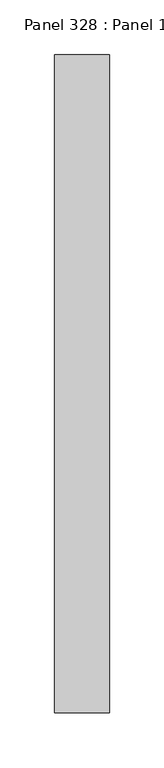
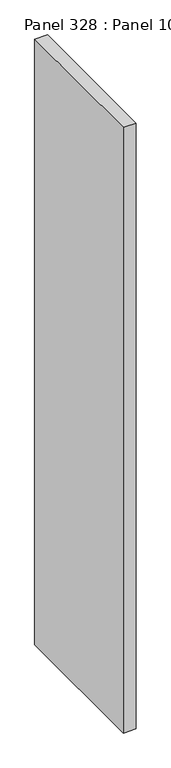
"""IFC4 building model written with IfcOpenShell, lengths in millimetres: proxy geometry, Panel 328 : Panel 1019."""

from ifc_helpers import new_model, si_unit, frame, origin, place, context, project, spatial, polyline, outline, extrude, source, transform, mapped, element, save


def panel_328_panel_1019_da7dd1df(model_context):
    return source(origin(), model_context, "Body", "SweptSolid", [
        extrude(outline(polyline([(26317.4759526, 332605.7856462), (26367.4759948, 332605.7856466), (26367.4759732, 332005.7856529), (26317.4759311, 332005.7856525), (26317.4759526, 332605.7856462)])), frame((0.0, 0.0, 34575.0), z_axis=(0.0, 0.0, 1.0), x_axis=(1.0, 0.0, 0.0)), (0.0, 0.0, 1.0), 2500.0),
    ])


if __name__ == "__main__":
    model = new_model("IFC4")
    model_context = context("Model", 3, world=origin())
    ifc_project = project(units=[si_unit("LENGTHUNIT", "METRE", prefix="MILLI")], contexts=[model_context])
    site = spatial("IfcSite", under=ifc_project)
    building = spatial("IfcBuilding", under=site)
    placement = place(None, origin())
    panel_328_panel_1019_shape = panel_328_panel_1019_da7dd1df(model_context)
    element("IfcBuildingElementProxy", 1, Name="Panel 328 : Panel 1019", ObjectType="Panel 328 : Panel 1019", at=placement, inside=building, context=model_context, shape_type="MappedRepresentation", body=[
        mapped(panel_328_panel_1019_shape, transform((0.0, 0.0, 0.0), x_axis=(1.0, 0.0, 0.0), y_axis=(0.0, 1.0, 0.0), z_axis=(0.0, 0.0, 1.0))),
    ])
    save(model, "model.ifc")
